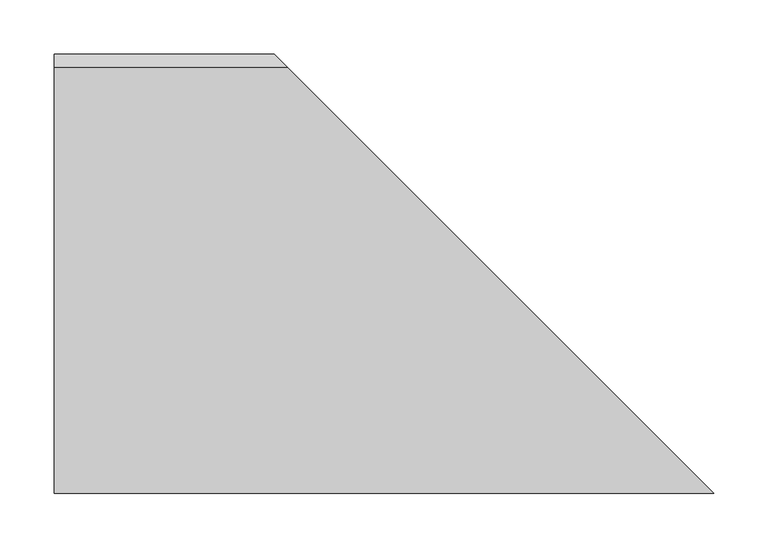
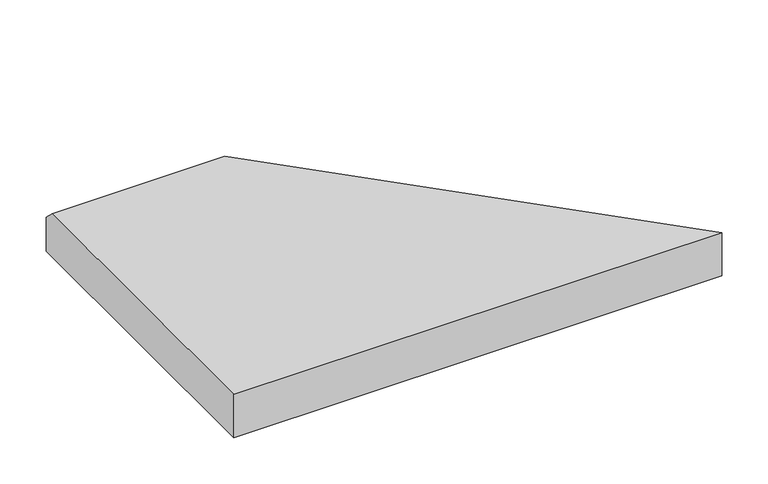
"""IFC4 building model written with IfcOpenShell, lengths in millimetres: proxy geometry."""

from ifc_helpers import new_model, si_unit, origin, place, context, project, spatial, faceted_brep, source, transform, mapped, element, save


def generic_models_b8fa327d(model_context):
    return source(origin(), model_context, "Body", "Brep", [
        faceted_brep([(0.0, 406.4, 0.0), (0.0, 0.0, 0.0), (0.0, 0.0, 57.15), (0.0, 393.7, 57.15), (0.0, 406.4, 44.45), (609.6, 0.0, 57.15), (215.9, 393.7, 57.15), (609.6, 0.0, 0.0), (203.2, 406.4, 0.0), (203.2, 406.4, 44.45)], [[[0, 1, 2, 3, 4]], [[2, 5, 6, 3]], [[1, 7, 5, 2]], [[0, 8, 7, 1]], [[4, 9, 8, 0]], [[3, 6, 9, 4]], [[5, 7, 8, 9, 6]]]),
    ])


if __name__ == "__main__":
    model = new_model("IFC4")
    model_context = context("Model", 3, world=origin())
    ifc_project = project(units=[si_unit("LENGTHUNIT", "METRE", prefix="MILLI")], contexts=[model_context])
    site = spatial("IfcSite", under=ifc_project)
    building = spatial("IfcBuilding", under=site)
    placement = place(None, origin())
    generic_models_shape = generic_models_b8fa327d(model_context)
    element("IfcBuildingElementProxy", 1, Name="Generic Models", at=placement, inside=building, context=model_context, shape_type="MappedRepresentation", body=[
        mapped(generic_models_shape, transform((0.0, 0.0, 0.0), x_axis=(1.0, 0.0, 0.0), y_axis=(0.0, 1.0, 0.0), z_axis=(0.0, 0.0, 1.0))),
    ])
    save(model, "model.ifc")
